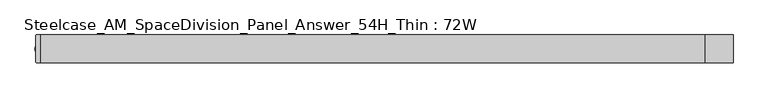
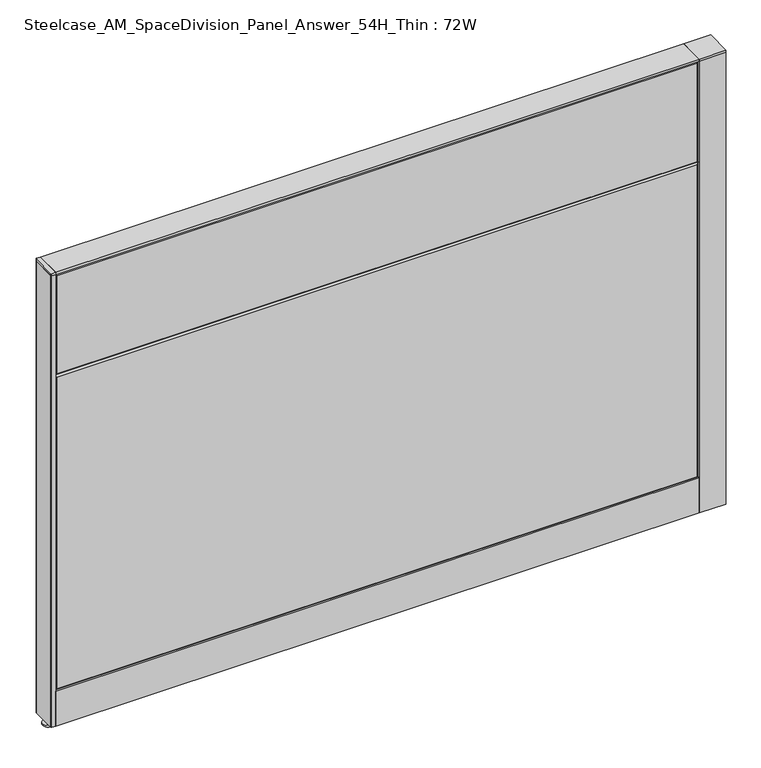
"""IFC4 building model written with IfcOpenShell, lengths in millimetres: furniture geometry, Steelcase_AM_SpaceDivision_Panel_Answer_54H_Thin : 72W."""

from ifc_helpers import new_model, si_unit, point, frame, frame_2d, origin, place, context, project, spatial, polyline, circle_curve, trimmed, segment, composite_curve, outline, extrude, faceted_brep, source, transform, mapped, element, save


def steelcase_am_spacedivision_panel_answer_54h_thin_72w_5d20d031(model_context):
    return source(origin(), model_context, "Body", "SolidModel", [
        extrude(outline(polyline([(37.3075215, 119.8575157), (25.4000011, 119.8575157), (25.4000011, 120.65), (38.1000194, 120.65), (38.1000194, 15.494), (37.3075215, 15.494), (37.3075215, 119.8575157)])), frame((-914.4, 0.0, 0.0), z_axis=(1.0, 0.0, 0.0), x_axis=(0.0, 1.0, 0.0)), (0.0, 0.0, 1.0), 1828.8),
        extrude(outline(polyline([(-37.3075215, 119.8575157), (-37.3075215, 15.494), (-38.1000194, 15.494), (-38.1000194, 120.65), (-25.4000011, 120.65), (-25.4000011, 119.8575157), (-37.3075215, 119.8575157)])), frame((-914.4, 0.0, 0.0), z_axis=(1.0, 0.0, 0.0), x_axis=(0.0, 1.0, 0.0)), (0.0, 0.0, 1.0), 1828.8),
        extrude(outline(composite_curve([segment(trimmed(circle_curve(frame_2d((952.5, -1.94e-05)), 5.08), [point((957.58, -1.94e-05))], [point((947.42, -1.94e-05))], False, "CARTESIAN"), True, "CONTINUOUS"), segment(trimmed(circle_curve(frame_2d((952.5, -1.94e-05)), 5.08), [point((947.42, -1.94e-05))], [point((957.58, -1.94e-05))], False, "CARTESIAN"), True, "CONTINUOUS")], self_intersect=False)), frame((0.0, 0.0, 5.0799671), z_axis=(0.0, 0.0, 1.0), x_axis=(1.0, 0.0, 0.0)), (0.0, 0.0, 1.0), 10.414),
        extrude(outline(composite_curve([segment(trimmed(circle_curve(frame_2d((952.5, -1.94e-05)), 15.24), [point((967.74, -1.94e-05))], [point((937.26, -1.94e-05))], False, "CARTESIAN"), True, "CONTINUOUS"), segment(trimmed(circle_curve(frame_2d((952.5, -1.94e-05)), 15.24), [point((937.26, -1.94e-05))], [point((967.74, -1.94e-05))], False, "CARTESIAN"), True, "CONTINUOUS")], self_intersect=False)), frame((0.0, 0.0, -3.29e-05), z_axis=(0.0, 0.0, 1.0), x_axis=(1.0, 0.0, 0.0)), (0.0, 0.0, 1.0), 5.08),
        extrude(outline(polyline([(914.4, -38.1), (914.4, 38.1), (990.6, 38.1), (990.6, -38.1), (914.4, -38.1)])), frame((0.0, 0.0, 1371.5999671), z_axis=(0.0, 0.0, 1.0), x_axis=(1.0, 0.0, 0.0)), (0.0, 0.0, 1.0), 6.35),
        extrude(outline(polyline([(990.6, 38.1), (990.6, -38.1), (914.4, -38.1), (914.4, 38.1), (990.6, 38.1)])), frame((0.0, 0.0, 15.4939671), z_axis=(0.0, 0.0, 1.0), x_axis=(1.0, 0.0, 0.0)), (0.0, 0.0, 1.0), 1356.106),
        extrude(outline(composite_curve([segment(trimmed(circle_curve(frame_2d((-914.4, -1.94e-05)), 5.08), [point((-919.48, -1.94e-05))], [point((-909.32, -1.94e-05))], False, "CARTESIAN"), True, "CONTINUOUS"), segment(trimmed(circle_curve(frame_2d((-914.4, -1.94e-05)), 5.08), [point((-909.32, -1.94e-05))], [point((-919.48, -1.94e-05))], False, "CARTESIAN"), True, "CONTINUOUS")], self_intersect=False)), frame((0.0, 0.0, 5.0799671), z_axis=(0.0, 0.0, 1.0), x_axis=(1.0, 0.0, 0.0)), (0.0, 0.0, 1.0), 10.414),
        extrude(outline(composite_curve([segment(trimmed(circle_curve(frame_2d((-914.4, -1.94e-05)), 15.24), [point((-929.64, -1.94e-05))], [point((-899.16, -1.94e-05))], False, "CARTESIAN"), True, "CONTINUOUS"), segment(trimmed(circle_curve(frame_2d((-914.4, -1.94e-05)), 15.24), [point((-899.16, -1.94e-05))], [point((-929.64, -1.94e-05))], False, "CARTESIAN"), True, "CONTINUOUS")], self_intersect=False)), frame((0.0, 0.0, -3.29e-05), z_axis=(0.0, 0.0, 1.0), x_axis=(1.0, 0.0, 0.0)), (0.0, 0.0, 1.0), 5.08),
        extrude(outline(composite_curve([segment(trimmed(circle_curve(frame_2d((-925.322, 36.322)), 1.778), [point((-927.1, 36.322))], [point((-925.322, 38.1))], False, "CARTESIAN"), True, "CONTINUOUS"), segment(polyline([(-925.322, 38.1), (-914.4, 38.1), (-914.4, -38.1), (-925.322, -38.1)]), True, "CONTINUOUS"), segment(trimmed(circle_curve(frame_2d((-925.322, -36.322)), 1.778), [point((-925.322, -38.1))], [point((-927.1, -36.322))], False, "CARTESIAN"), True, "CONTINUOUS"), segment(polyline([(-927.1, -36.322), (-927.1, 36.322)]), True, "CONTINUOUS")], self_intersect=False)), frame((0.0, 0.0, 1371.5999671), z_axis=(0.0, 0.0, 1.0), x_axis=(1.0, 0.0, 0.0)), (0.0, 0.0, 1.0), 6.35),
        extrude(outline(composite_curve([segment(trimmed(circle_curve(frame_2d((-925.322, 36.322)), 1.778), [point((-927.1, 36.322))], [point((-925.322, 38.1))], False, "CARTESIAN"), True, "CONTINUOUS"), segment(polyline([(-925.322, 38.1), (-914.4, 38.1), (-914.4, -38.1), (-925.322, -38.1)]), True, "CONTINUOUS"), segment(trimmed(circle_curve(frame_2d((-925.322, -36.322)), 1.778), [point((-925.322, -38.1))], [point((-927.1, -36.322))], False, "CARTESIAN"), True, "CONTINUOUS"), segment(polyline([(-927.1, -36.322), (-927.1, 36.322)]), True, "CONTINUOUS")], self_intersect=False)), frame((0.0, 0.0, 15.4939671), z_axis=(0.0, 0.0, 1.0), x_axis=(1.0, 0.0, 0.0)), (0.0, 0.0, 1.0), 1356.106),
        faceted_brep([(-909.574, 38.0960552, 1366.774), (909.574, 38.0960552, 1366.774), (909.574, 38.0960552, 1071.626), (-909.574, 38.0960552, 1071.626), (-914.4, 33.2700552, 1371.6), (-914.4, 33.2700552, 1066.8), (914.4, 33.2700552, 1066.8), (914.4, 33.2700552, 1371.6)], [[[0, 1, 2, 3]], [[4, 5, 6, 7]], [[4, 7, 1, 0]], [[7, 6, 2, 1]], [[6, 5, 3, 2]], [[5, 4, 0, 3]]]),
        faceted_brep([(-909.574, 38.0960552, 1061.974), (909.574, 38.0960552, 1061.974), (909.574, 38.0960552, 125.476), (-909.574, 38.0960552, 125.476), (-914.4, 33.2700552, 1066.8), (-914.4, 33.2700552, 120.65), (914.4, 33.2700552, 120.65), (914.4, 33.2700552, 1066.8)], [[[0, 1, 2, 3]], [[4, 5, 6, 7]], [[4, 7, 1, 0]], [[7, 6, 2, 1]], [[6, 5, 3, 2]], [[5, 4, 0, 3]]]),
        faceted_brep([(909.574, -38.0960552, 1366.774), (-909.574, -38.0960552, 1366.774), (-909.574, -38.0960552, 1071.626), (909.574, -38.0960552, 1071.626), (914.4, -33.2700552, 1371.6), (914.4, -33.2700552, 1066.8), (-914.4, -33.2700552, 1066.8), (-914.4, -33.2700552, 1371.6)], [[[0, 1, 2, 3]], [[4, 5, 6, 7]], [[4, 7, 1, 0]], [[7, 6, 2, 1]], [[6, 5, 3, 2]], [[5, 4, 0, 3]]]),
        faceted_brep([(909.574, -38.0960552, 1061.974), (-909.574, -38.0960552, 1061.974), (-909.574, -38.0960552, 125.476), (909.574, -38.0960552, 125.476), (914.4, -33.2700552, 1066.8), (914.4, -33.2700552, 120.65), (-914.4, -33.2700552, 120.65), (-914.4, -33.2700552, 1066.8)], [[[0, 1, 2, 3]], [[4, 5, 6, 7]], [[4, 7, 1, 0]], [[7, 6, 2, 1]], [[6, 5, 3, 2]], [[5, 4, 0, 3]]]),
        extrude(outline(polyline([(914.4, 38.1000194), (914.4, -38.1000194), (-914.4, -38.1000194), (-914.4, 38.1000194), (914.4, 38.1000194)])), frame((0.0, 0.0, 1371.6), z_axis=(0.0, 0.0, 1.0), x_axis=(1.0, 0.0, 0.0)), (0.0, 0.0, 1.0), 6.35),
    ])


if __name__ == "__main__":
    model = new_model("IFC4")
    model_context = context("Model", 3, world=origin())
    ifc_project = project(units=[si_unit("LENGTHUNIT", "METRE", prefix="MILLI")], contexts=[model_context])
    site = spatial("IfcSite", under=ifc_project)
    building = spatial("IfcBuilding", under=site)
    placement = place(None, origin())
    steelcase_am_spacedivision_panel_answer_54h_thin_72w_shape = steelcase_am_spacedivision_panel_answer_54h_thin_72w_5d20d031(model_context)
    element("IfcFurniture", 1, ObjectType="Steelcase_AM_SpaceDivision_Panel_Answer_54H_Thin : 72W", at=placement, inside=building, context=model_context, shape_type="MappedRepresentation", body=[
        mapped(steelcase_am_spacedivision_panel_answer_54h_thin_72w_shape, transform((0.0, 0.0, 0.0), x_axis=(1.0, 0.0, 0.0), y_axis=(0.0, 1.0, 0.0), z_axis=(0.0, 0.0, 1.0))),
    ])
    save(model, "model.ifc")
